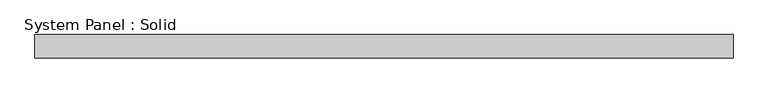
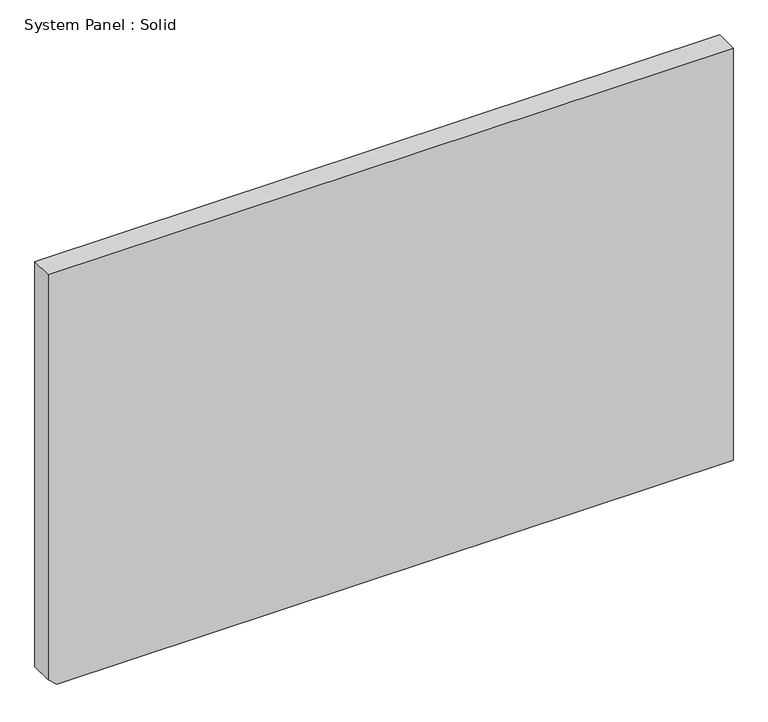
"""IFC4 building model written with IfcOpenShell, lengths in millimetres: plate geometry, System Panel : Solid."""

import ifcopenshell
import ifcopenshell.guid

model = None  # the IFC model being written
_history = None  # IfcOwnerHistory: only IFC2X3 demands one
_inside = {}  # id of a spatial element -> (the spatial element, [elements in it])
_under = {}  # id of a project, library or spatial element -> (it, [spatial elements below it])
_declared = {}  # id of a project -> (the project, [libraries it declares])
_typed = {}  # id of a type object -> (the type object, [elements of that type])
_made_of = {}  # id of a material, layer set ... -> (it, [elements and type objects made of it])


def new_model(schema):
    """Start an empty IFC model of exactly this schema.

    Asked for "IFC4X3", IfcOpenShell would pick the latest addendum, in which some entities
    have other attributes; the version numbers below select the first issue.
    IFC2X3 requires an IfcOwnerHistory on every rooted entity: one is made here for all.
    """
    global model, _history
    if schema == "IFC4X3":
        model = ifcopenshell.file(schema_version=(4, 3, 0, 0))
    else:
        model = ifcopenshell.file(schema=schema)
    _inside.clear()
    _under.clear()
    _declared.clear()
    _typed.clear()
    _made_of.clear()
    _history = None
    if model.schema == "IFC2X3":
        org = make("IfcOrganization", Name="unknown")
        user = make(
            "IfcPersonAndOrganization",
            ThePerson=make("IfcPerson", FamilyName="unknown"),
            TheOrganization=org,
        )
        app = make(
            "IfcApplication",
            ApplicationDeveloper=org,
            Version="unknown",
            ApplicationFullName="unknown",
            ApplicationIdentifier="unknown",
        )
        _history = make(
            "IfcOwnerHistory",
            OwningUser=user,
            OwningApplication=app,
            ChangeAction="ADDED",
            CreationDate=0,
        )
    return model


def make(cls, **values):
    """One entity of the class cls with the attributes given. An attribute that is None is left unset."""
    return model.create_entity(
        cls, **{name: value for name, value in values.items() if value is not None}
    )


def rooted(cls, **values):
    """An entity with a GlobalId (a new one), such as an element, a storey or a relation."""
    return make(cls, GlobalId=ifcopenshell.guid.new(), OwnerHistory=_history, **values)


def si_unit(unit_type, name, prefix=None):
    """IfcSIUnit, for example si_unit("LENGTHUNIT", "METRE", prefix="MILLI")."""
    return make("IfcSIUnit", UnitType=unit_type, Prefix=prefix, Name=name)


def assignment(units):
    """IfcUnitAssignment: the units of a project."""
    return None if units is None else make("IfcUnitAssignment", Units=units)


def point(xyz):
    """IfcCartesianPoint."""
    return None if xyz is None else make("IfcCartesianPoint", Coordinates=xyz)


def direction(xyz):
    """IfcDirection."""
    return None if xyz is None else make("IfcDirection", DirectionRatios=xyz)


def frame(location, z_axis=None, x_axis=None):
    """IfcAxis2Placement3D, a coordinate frame: its origin and axes. An axis left out is left unset."""
    return make(
        "IfcAxis2Placement3D",
        Location=point(location),
        Axis=direction(z_axis),
        RefDirection=direction(x_axis),
    )


def origin():
    """The frame at (0, 0, 0) with its axes left unset."""
    return frame((0.0, 0.0, 0.0))


def place(relative_to, where):
    """IfcLocalPlacement: puts the frame where relative to a parent placement (None: the world)."""
    return make(
        "IfcLocalPlacement", PlacementRelTo=relative_to, RelativePlacement=where
    )


def context(
    kind, dimensions, precision=None, world=None, true_north=None, identifier=None
):
    """IfcGeometricRepresentationContext, for example the 3D "Model" context."""
    return make(
        "IfcGeometricRepresentationContext",
        ContextIdentifier=identifier,
        ContextType=kind,
        CoordinateSpaceDimension=dimensions,
        Precision=precision,
        WorldCoordinateSystem=world,
        TrueNorth=true_north,
    )


def project(units=None, contexts=None):
    """IfcProject with its units and contexts."""
    return rooted(
        "IfcProject",
        Name="project",
        RepresentationContexts=contexts,
        UnitsInContext=assignment(units),
    )


def spatial(cls, under=None, at=None, **own):
    """A site, building, storey or space (cls), placed at a placement, below another one or the project."""
    s = rooted(cls, ObjectPlacement=at, **own)
    if under is not None:
        _under.setdefault(under.id(), (under, []))[1].append(s)
    return s


def polyline(points):
    """IfcPolyline through the points."""
    return make("IfcPolyline", Points=[point(p) for p in points])


def outline(outer, holes=None, kind="AREA"):
    """IfcArbitraryClosedProfileDef: a profile drawn as a closed curve; with holes, ...WithVoids."""
    if holes is None:
        return make("IfcArbitraryClosedProfileDef", ProfileType=kind, OuterCurve=outer)
    return make(
        "IfcArbitraryProfileDefWithVoids",
        ProfileType=kind,
        OuterCurve=outer,
        InnerCurves=holes,
    )


def extrude(swept, where, along, depth):
    """IfcExtrudedAreaSolid: the profile swept, set in the frame where, extruded along a direction by depth."""
    return make(
        "IfcExtrudedAreaSolid",
        SweptArea=swept,
        Position=where,
        ExtrudedDirection=direction(along),
        Depth=depth,
    )


def shape(context_of_items, identifier, shape_type, items):
    """IfcShapeRepresentation: the items that make up one representation, for example the "Body"."""
    return make(
        "IfcShapeRepresentation",
        ContextOfItems=context_of_items,
        RepresentationIdentifier=identifier,
        RepresentationType=shape_type,
        Items=items,
    )


def source(mapping_origin, context_of_items, identifier, shape_type, items):
    """IfcRepresentationMap: a shape defined once, which mapped items show again and again."""
    return make(
        "IfcRepresentationMap",
        MappingOrigin=mapping_origin,
        MappedRepresentation=shape(context_of_items, identifier, shape_type, items),
    )


def transform(
    local_origin,
    x_axis=None,
    y_axis=None,
    z_axis=None,
    scale=None,
    scale2=None,
    scale3=None,
    uniform=True,
):
    """IfcCartesianTransformationOperator3D, or its non-uniform kind. x_axis, y_axis, z_axis: its Axis1, 2, 3."""
    if uniform:
        return make(
            "IfcCartesianTransformationOperator3D",
            Axis1=direction(x_axis),
            Axis2=direction(y_axis),
            LocalOrigin=point(local_origin),
            Scale=scale,
            Axis3=direction(z_axis),
        )
    return make(
        "IfcCartesianTransformationOperator3DnonUniform",
        Axis1=direction(x_axis),
        Axis2=direction(y_axis),
        LocalOrigin=point(local_origin),
        Scale=scale,
        Axis3=direction(z_axis),
        Scale2=scale2,
        Scale3=scale3,
    )


def mapped(mapping_source, mapping_target):
    """IfcMappedItem: shows the shape of a source again, moved by a transform."""
    return make(
        "IfcMappedItem", MappingSource=mapping_source, MappingTarget=mapping_target
    )


def made_of(thing, what):
    """Note that an element or type object is made of a material, layer set ...; save() writes the relation."""
    if what is not None:
        _made_of.setdefault(what.id(), (what, []))[1].append(thing)
    return thing


def element(
    cls,
    number,
    at=None,
    inside=None,
    cuts=None,
    type_object=None,
    material=None,
    context=None,
    identifier="Body",
    shape_type=None,
    held_by="IfcProductDefinitionShape",
    body=None,
    shapes=None,
    **own,
):
    """One element of the class cls, such as IfcWall. Its Tag is "e" and its number.

    at: its placement. inside: the storey or other place that contains it. cuts: it is an
    opening in that element (IfcRelVoidsElement). A single representation is given by context,
    identifier, shape_type and body (its items); several are given by shapes. held_by: the class
    of the entity that holds the representations. save() writes the other relations.
    """
    e = rooted(cls, Tag="e%d" % number, ObjectPlacement=at, **own)
    if body is not None:
        shapes = [shape(context, identifier, shape_type, body)]
    if shapes is not None:
        e.Representation = make(held_by, Representations=shapes)
    if inside is not None:
        _inside.setdefault(inside.id(), (inside, []))[1].append(e)
    if cuts is not None:
        rooted(
            "IfcRelVoidsElement", RelatingBuildingElement=cuts, RelatedOpeningElement=e
        )
    if type_object is not None:
        _typed.setdefault(type_object.id(), (type_object, []))[1].append(e)
    return made_of(e, material)


def aggregate(whole, parts):
    """IfcRelAggregates: a whole, such as a stair, and the parts it consists of."""
    return rooted("IfcRelAggregates", RelatingObject=whole, RelatedObjects=parts)


def save(model, path):
    """Write the relations noted so far, then the file.

    IfcRelAggregates (storeys below a building ...), IfcRelContainedInSpatialStructure (elements
    in a storey), IfcRelDefinesByType, IfcRelAssociatesMaterial and IfcRelDeclares: one each for
    every whole, place, type object, material and project.
    """
    for whole, parts in _under.values():
        aggregate(whole, parts)
    for where, things in _inside.values():
        rooted(
            "IfcRelContainedInSpatialStructure",
            RelatedElements=things,
            RelatingStructure=where,
        )
    for kind, things in _typed.values():
        rooted("IfcRelDefinesByType", RelatedObjects=things, RelatingType=kind)
    for what, things in _made_of.values():
        rooted("IfcRelAssociatesMaterial", RelatedObjects=things, RelatingMaterial=what)
    for by, libraries in _declared.values():
        rooted("IfcRelDeclares", RelatingContext=by, RelatedDefinitions=libraries)
    model.write(path)


def system_panel_solid_26825cd9(model_context):
    return source(origin(), model_context, "Body", "SweptSolid", [
        extrude(outline(polyline([(0.0, -873.9872224), (0.0, 896.2694209), (1140.0, 896.2694209), (1140.0, -896.2694209), (19.7686602, -896.2694209), (0.0, -873.9872224)])), frame((0.0, -10.5, 0.0), z_axis=(0.0, 1.0, 0.0), x_axis=(0.0, 0.0, 1.0)), (0.0, 0.0, 1.0), 60.0),
    ])


if __name__ == "__main__":
    model = new_model("IFC4")
    model_context = context("Model", 3, world=origin())
    ifc_project = project(units=[si_unit("LENGTHUNIT", "METRE", prefix="MILLI")], contexts=[model_context])
    site = spatial("IfcSite", under=ifc_project)
    building = spatial("IfcBuilding", under=site)
    placement = place(None, origin())
    system_panel_solid_shape = system_panel_solid_26825cd9(model_context)
    element("IfcPlate", 1, ObjectType="System Panel : Solid", at=placement, inside=building, context=model_context, shape_type="MappedRepresentation", body=[
        mapped(system_panel_solid_shape, transform((0.0, 0.0, 0.0), x_axis=(1.0, 0.0, 0.0), y_axis=(0.0, 1.0, 0.0), z_axis=(0.0, 0.0, 1.0))),
    ])
    save(model, "model.ifc")
